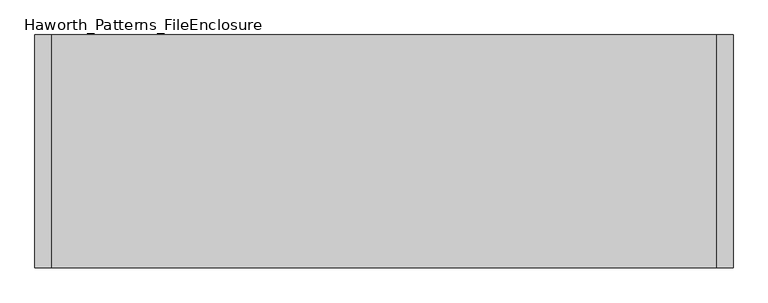
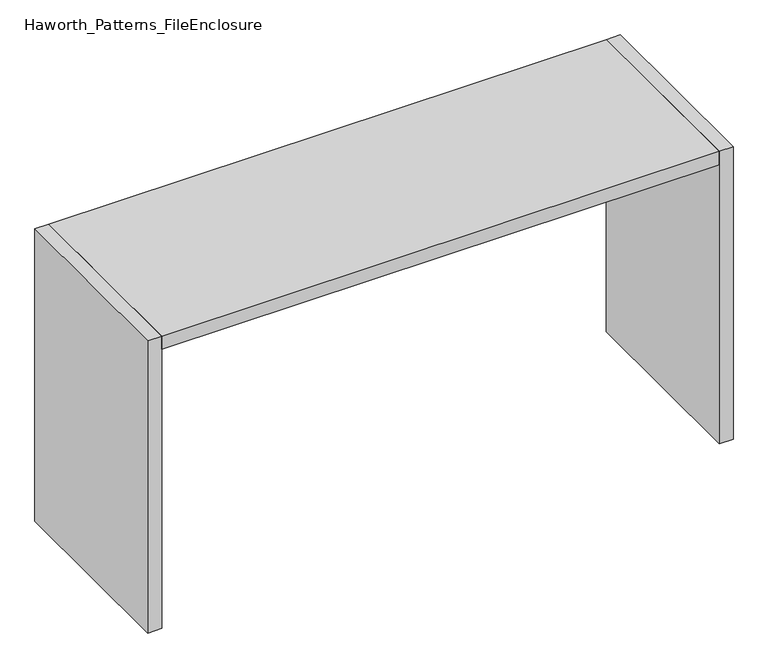
"""IFC4 building model written with IfcOpenShell, lengths in millimetres: furniture geometry, Haworth_Patterns_FileEnclosure."""

import ifcopenshell
import ifcopenshell.guid

model = None  # the IFC model being written
_history = None  # IfcOwnerHistory: only IFC2X3 demands one
_inside = {}  # id of a spatial element -> (the spatial element, [elements in it])
_under = {}  # id of a project, library or spatial element -> (it, [spatial elements below it])
_declared = {}  # id of a project -> (the project, [libraries it declares])
_typed = {}  # id of a type object -> (the type object, [elements of that type])
_made_of = {}  # id of a material, layer set ... -> (it, [elements and type objects made of it])


def new_model(schema):
    """Start an empty IFC model of exactly this schema.

    Asked for "IFC4X3", IfcOpenShell would pick the latest addendum, in which some entities
    have other attributes; the version numbers below select the first issue.
    IFC2X3 requires an IfcOwnerHistory on every rooted entity: one is made here for all.
    """
    global model, _history
    if schema == "IFC4X3":
        model = ifcopenshell.file(schema_version=(4, 3, 0, 0))
    else:
        model = ifcopenshell.file(schema=schema)
    _inside.clear()
    _under.clear()
    _declared.clear()
    _typed.clear()
    _made_of.clear()
    _history = None
    if model.schema == "IFC2X3":
        org = make("IfcOrganization", Name="unknown")
        user = make(
            "IfcPersonAndOrganization",
            ThePerson=make("IfcPerson", FamilyName="unknown"),
            TheOrganization=org,
        )
        app = make(
            "IfcApplication",
            ApplicationDeveloper=org,
            Version="unknown",
            ApplicationFullName="unknown",
            ApplicationIdentifier="unknown",
        )
        _history = make(
            "IfcOwnerHistory",
            OwningUser=user,
            OwningApplication=app,
            ChangeAction="ADDED",
            CreationDate=0,
        )
    return model


def make(cls, **values):
    """One entity of the class cls with the attributes given. An attribute that is None is left unset."""
    return model.create_entity(
        cls, **{name: value for name, value in values.items() if value is not None}
    )


def rooted(cls, **values):
    """An entity with a GlobalId (a new one), such as an element, a storey or a relation."""
    return make(cls, GlobalId=ifcopenshell.guid.new(), OwnerHistory=_history, **values)


def si_unit(unit_type, name, prefix=None):
    """IfcSIUnit, for example si_unit("LENGTHUNIT", "METRE", prefix="MILLI")."""
    return make("IfcSIUnit", UnitType=unit_type, Prefix=prefix, Name=name)


def assignment(units):
    """IfcUnitAssignment: the units of a project."""
    return None if units is None else make("IfcUnitAssignment", Units=units)


def point(xyz):
    """IfcCartesianPoint."""
    return None if xyz is None else make("IfcCartesianPoint", Coordinates=xyz)


def direction(xyz):
    """IfcDirection."""
    return None if xyz is None else make("IfcDirection", DirectionRatios=xyz)


def frame(location, z_axis=None, x_axis=None):
    """IfcAxis2Placement3D, a coordinate frame: its origin and axes. An axis left out is left unset."""
    return make(
        "IfcAxis2Placement3D",
        Location=point(location),
        Axis=direction(z_axis),
        RefDirection=direction(x_axis),
    )


def origin():
    """The frame at (0, 0, 0) with its axes left unset."""
    return frame((0.0, 0.0, 0.0))


def origin_with_axes():
    """The frame at (0, 0, 0) with the z axis (0, 0, 1) and the x axis (1, 0, 0) written out."""
    return frame((0.0, 0.0, 0.0), z_axis=(0.0, 0.0, 1.0), x_axis=(1.0, 0.0, 0.0))


def place(relative_to, where):
    """IfcLocalPlacement: puts the frame where relative to a parent placement (None: the world)."""
    return make(
        "IfcLocalPlacement", PlacementRelTo=relative_to, RelativePlacement=where
    )


def context(
    kind, dimensions, precision=None, world=None, true_north=None, identifier=None
):
    """IfcGeometricRepresentationContext, for example the 3D "Model" context."""
    return make(
        "IfcGeometricRepresentationContext",
        ContextIdentifier=identifier,
        ContextType=kind,
        CoordinateSpaceDimension=dimensions,
        Precision=precision,
        WorldCoordinateSystem=world,
        TrueNorth=true_north,
    )


def project(units=None, contexts=None):
    """IfcProject with its units and contexts."""
    return rooted(
        "IfcProject",
        Name="project",
        RepresentationContexts=contexts,
        UnitsInContext=assignment(units),
    )


def spatial(cls, under=None, at=None, **own):
    """A site, building, storey or space (cls), placed at a placement, below another one or the project."""
    s = rooted(cls, ObjectPlacement=at, **own)
    if under is not None:
        _under.setdefault(under.id(), (under, []))[1].append(s)
    return s


def polyline(points):
    """IfcPolyline through the points."""
    return make("IfcPolyline", Points=[point(p) for p in points])


def outline(outer, holes=None, kind="AREA"):
    """IfcArbitraryClosedProfileDef: a profile drawn as a closed curve; with holes, ...WithVoids."""
    if holes is None:
        return make("IfcArbitraryClosedProfileDef", ProfileType=kind, OuterCurve=outer)
    return make(
        "IfcArbitraryProfileDefWithVoids",
        ProfileType=kind,
        OuterCurve=outer,
        InnerCurves=holes,
    )


def extrude(swept, where, along, depth):
    """IfcExtrudedAreaSolid: the profile swept, set in the frame where, extruded along a direction by depth."""
    return make(
        "IfcExtrudedAreaSolid",
        SweptArea=swept,
        Position=where,
        ExtrudedDirection=direction(along),
        Depth=depth,
    )


def shape(context_of_items, identifier, shape_type, items):
    """IfcShapeRepresentation: the items that make up one representation, for example the "Body"."""
    return make(
        "IfcShapeRepresentation",
        ContextOfItems=context_of_items,
        RepresentationIdentifier=identifier,
        RepresentationType=shape_type,
        Items=items,
    )


def source(mapping_origin, context_of_items, identifier, shape_type, items):
    """IfcRepresentationMap: a shape defined once, which mapped items show again and again."""
    return make(
        "IfcRepresentationMap",
        MappingOrigin=mapping_origin,
        MappedRepresentation=shape(context_of_items, identifier, shape_type, items),
    )


def transform(
    local_origin,
    x_axis=None,
    y_axis=None,
    z_axis=None,
    scale=None,
    scale2=None,
    scale3=None,
    uniform=True,
):
    """IfcCartesianTransformationOperator3D, or its non-uniform kind. x_axis, y_axis, z_axis: its Axis1, 2, 3."""
    if uniform:
        return make(
            "IfcCartesianTransformationOperator3D",
            Axis1=direction(x_axis),
            Axis2=direction(y_axis),
            LocalOrigin=point(local_origin),
            Scale=scale,
            Axis3=direction(z_axis),
        )
    return make(
        "IfcCartesianTransformationOperator3DnonUniform",
        Axis1=direction(x_axis),
        Axis2=direction(y_axis),
        LocalOrigin=point(local_origin),
        Scale=scale,
        Axis3=direction(z_axis),
        Scale2=scale2,
        Scale3=scale3,
    )


def mapped(mapping_source, mapping_target):
    """IfcMappedItem: shows the shape of a source again, moved by a transform."""
    return make(
        "IfcMappedItem", MappingSource=mapping_source, MappingTarget=mapping_target
    )


def made_of(thing, what):
    """Note that an element or type object is made of a material, layer set ...; save() writes the relation."""
    if what is not None:
        _made_of.setdefault(what.id(), (what, []))[1].append(thing)
    return thing


def element(
    cls,
    number,
    at=None,
    inside=None,
    cuts=None,
    type_object=None,
    material=None,
    context=None,
    identifier="Body",
    shape_type=None,
    held_by="IfcProductDefinitionShape",
    body=None,
    shapes=None,
    **own,
):
    """One element of the class cls, such as IfcWall. Its Tag is "e" and its number.

    at: its placement. inside: the storey or other place that contains it. cuts: it is an
    opening in that element (IfcRelVoidsElement). A single representation is given by context,
    identifier, shape_type and body (its items); several are given by shapes. held_by: the class
    of the entity that holds the representations. save() writes the other relations.
    """
    e = rooted(cls, Tag="e%d" % number, ObjectPlacement=at, **own)
    if body is not None:
        shapes = [shape(context, identifier, shape_type, body)]
    if shapes is not None:
        e.Representation = make(held_by, Representations=shapes)
    if inside is not None:
        _inside.setdefault(inside.id(), (inside, []))[1].append(e)
    if cuts is not None:
        rooted(
            "IfcRelVoidsElement", RelatingBuildingElement=cuts, RelatedOpeningElement=e
        )
    if type_object is not None:
        _typed.setdefault(type_object.id(), (type_object, []))[1].append(e)
    return made_of(e, material)


def aggregate(whole, parts):
    """IfcRelAggregates: a whole, such as a stair, and the parts it consists of."""
    return rooted("IfcRelAggregates", RelatingObject=whole, RelatedObjects=parts)


def save(model, path):
    """Write the relations noted so far, then the file.

    IfcRelAggregates (storeys below a building ...), IfcRelContainedInSpatialStructure (elements
    in a storey), IfcRelDefinesByType, IfcRelAssociatesMaterial and IfcRelDeclares: one each for
    every whole, place, type object, material and project.
    """
    for whole, parts in _under.values():
        aggregate(whole, parts)
    for where, things in _inside.values():
        rooted(
            "IfcRelContainedInSpatialStructure",
            RelatedElements=things,
            RelatingStructure=where,
        )
    for kind, things in _typed.values():
        rooted("IfcRelDefinesByType", RelatedObjects=things, RelatingType=kind)
    for what, things in _made_of.values():
        rooted("IfcRelAssociatesMaterial", RelatedObjects=things, RelatingMaterial=what)
    for by, libraries in _declared.values():
        rooted("IfcRelDeclares", RelatingContext=by, RelatedDefinitions=libraries)
    model.write(path)


def haworth_patterns_fileenclosure_12a66afc(model_context):
    return source(origin(), model_context, "Body", "SweptSolid", [
        extrude(outline(polyline([(1524.0, 0.0), (1524.0, -1066.8), (-1524.0, -1066.8), (-1524.0, 0.0), (1524.0, 0.0)])), frame((0.0, 0.0, 1612.9), z_axis=(0.0, 0.0, 1.0), x_axis=(1.0, 0.0, 0.0)), (0.0, 0.0, 1.0), 76.2),
        extrude(outline(polyline([(1524.0, 0.0), (1600.2, 0.0), (1600.2, -1066.8), (1524.0, -1066.8), (1524.0, 0.0)])), origin_with_axes(), (0.0, 0.0, 1.0), 1689.1),
        extrude(outline(polyline([(-1524.0, 0.0), (-1524.0, -1066.8), (-1600.2, -1066.8), (-1600.2, 0.0), (-1524.0, 0.0)])), origin_with_axes(), (0.0, 0.0, 1.0), 1689.1),
    ])


if __name__ == "__main__":
    model = new_model("IFC4")
    model_context = context("Model", 3, world=origin())
    ifc_project = project(units=[si_unit("LENGTHUNIT", "METRE", prefix="MILLI")], contexts=[model_context])
    site = spatial("IfcSite", under=ifc_project)
    building = spatial("IfcBuilding", under=site)
    placement = place(None, origin())
    haworth_patterns_fileenclosure_shape = haworth_patterns_fileenclosure_12a66afc(model_context)
    element("IfcFurniture", 1, ObjectType="Haworth_Patterns_FileEnclosure", at=placement, inside=building, context=model_context, shape_type="MappedRepresentation", body=[
        mapped(haworth_patterns_fileenclosure_shape, transform((0.0, 0.0, 0.0), x_axis=(1.0, 0.0, 0.0), y_axis=(0.0, 1.0, 0.0), z_axis=(0.0, 0.0, 1.0))),
    ])
    save(model, "model.ifc")
